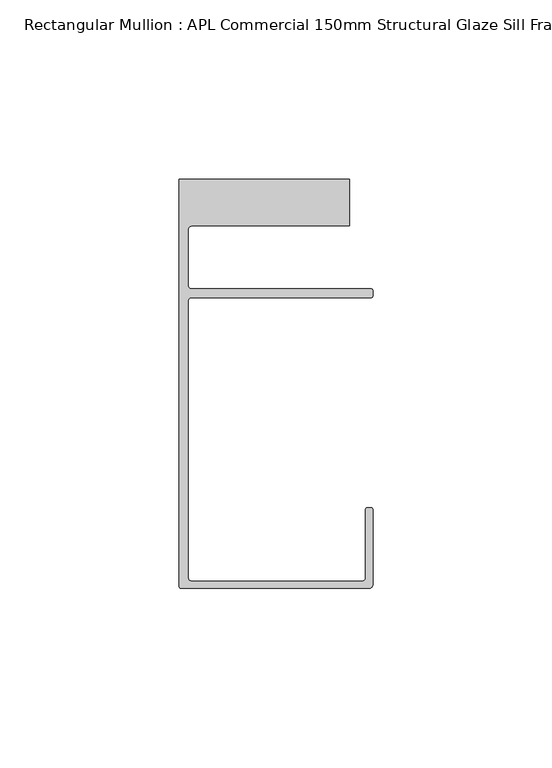
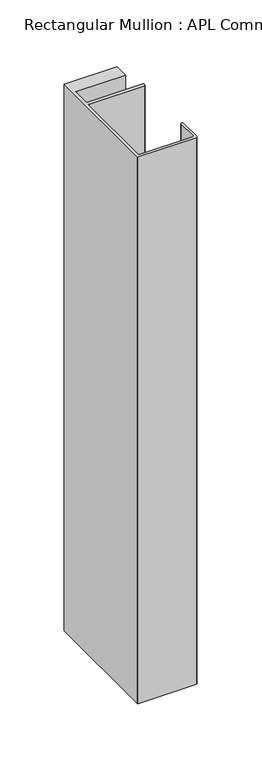
"""IFC4 building model written with IfcOpenShell, lengths in millimetres: member geometry, Rectangular Mullion : APL Commercial 150mm Structural Glaze Sill Frame (Back)."""

from ifc_helpers import new_model, si_unit, frame, origin, place, context, project, spatial, polyline, circle_curve, source, transform, mapped, element, save
from ifc_brep_helpers import plane_surface, cylinder_surface, revolved_surface, advanced_brep


def rectangular_mullion_apl_commercial_150mm_structural_glaze_b06015f9(model_context):
    return source(origin(), model_context, "Body", "AdvancedBrep", [
        advanced_brep(
        [(-53.5000083, -129.0001071, 0.0), (-1.0000079, -129.0001071, 0.0), (-7.9e-06, -128.0001071, 0.0), (0.0, -107.0001071, 0.0), (-0.5, -106.5001071, 0.0), (-1.4999822, -106.5001071, 0.0), (-1.9999822, -107.0001071, 0.0), (-1.9999982, -126.0001071, 0.0), (-2.9999982, -127.0001071, 0.0), (-50.5000083, -127.00011, 0.0), (-51.5000083, -126.00011, 0.0), (-51.5000225, -48.9999541, 0.0), (-50.482081, -48.000115, 0.0), (-0.5000012, -48.000115, 0.0), (-5.4e-06, -47.5021598, 0.0), (-5.4e-06, -46.0213357, 0.0), (-0.521387, -45.4999541, 0.0), (-50.500032, -45.4999541, 0.0), (-51.500032, -44.4999541, 0.0), (-51.500032, -29.0004332, 0.0), (-50.500032, -28.0004332, 0.0), (-6.5000083, -28.0004332, 0.0), (-6.5000083, -15.0004332, 0.0), (-54.0000083, -15.0004332, 0.0), (-54.0000083, -128.5001071, 0.0), (-53.5000083, -129.0001071, -518.8791392), (-54.0000083, -128.5001071, -518.8791392), (-54.0000083, -15.0004332, -518.8791392), (-6.5000083, -15.0004332, -518.8791392), (-6.5000083, -28.0004332, -518.8791392), (-50.500032, -28.0004332, -518.8791392), (-51.500032, -29.0004332, -518.8791392), (-51.500032, -44.4999541, -518.8791392), (-50.500032, -45.4999541, -518.8791392), (-0.521387, -45.4999541, -518.8791392), (-5.4e-06, -46.0213357, -518.8791392), (-5.4e-06, -47.5021598, -518.8791392), (-0.5000012, -48.000115, -518.8791392), (-50.482081, -48.000115, -518.8791392), (-51.5000225, -48.9999541, -518.8791392), (-51.5000225, -126.00011, -518.8791392), (-50.5000083, -127.00011, -518.8791392), (-2.9999982, -127.00011, -518.8791392), (-1.9999982, -126.0001071, -518.8791392), (-1.9999982, -107.0001071, -518.8791392), (-1.4999822, -106.5001071, -518.8791392), (-0.5, -106.5001071, -518.8791392), (0.0, -107.0001071, -518.8791392), (0.0, -128.0001071, -518.8791392), (-1.0000079, -129.0001071, -518.8791392)],
        [
            (0, 1),
            (1, 2, circle_curve(frame((-1.0000079, -128.0001071, 0.0), z_axis=(0.0, 0.0, 1.0), x_axis=(0.9999999999996143, -8.78371761103865e-07, 0.0)), 1.0)),
            (2, 3),
            (3, 4, circle_curve(frame((-0.5, -107.0001071, 0.0), z_axis=(0.0, 0.0, 1.0), x_axis=(0.0, 1.0, 0.0)), 0.5)),
            (4, 5),
            (5, 6, circle_curve(frame((-1.4999822, -107.0001071, 0.0), z_axis=(0.0, 0.0, 1.0), x_axis=(-1.0, 1.039279773351609e-08, 0.0)), 0.5)),
            (6, 7),
            (7, 8, circle_curve(frame((-2.9999982, -126.0001071, 0.0), z_axis=(0.0, 0.0, -1.0), x_axis=(0.0, -1.0, 0.0)), 1.0)),
            (8, 9),
            (9, 10, circle_curve(frame((-50.5000083, -126.00011, 0.0), z_axis=(0.0, 0.0, -1.0), x_axis=(-1.0, -3.636202450239078e-12, 0.0)), 1.0)),
            (10, 11),
            (11, 12, circle_curve(frame((-50.5000225, -48.9999541, 0.0), z_axis=(0.0, 0.0, -1.0), x_axis=(3.5344775231070867e-06, 0.9999999999937538, 0.0)), 1.0)),
            (12, 13),
            (13, 14, circle_curve(frame((-0.5000012, -47.500115, 0.0), z_axis=(0.0, 0.0, 1.0), x_axis=(0.9999999999999991, 4.5120271963110614e-08, 0.0)), 0.5)),
            (14, 15),
            (15, 16, circle_curve(frame((-0.521387, -46.0213357, 0.0), z_axis=(0.0, 0.0, 1.0), x_axis=(-1.0, 0.0, 0.0)), 0.5213816)),
            (16, 17),
            (17, 18, circle_curve(frame((-50.500032, -44.4999541, 0.0), z_axis=(0.0, 0.0, -1.0), x_axis=(-0.9999999999998819, -4.863123717036027e-07, 0.0)), 1.0)),
            (18, 19),
            (19, 20, circle_curve(frame((-50.500032, -29.0004332, 0.0), z_axis=(0.0, 0.0, -1.0), x_axis=(0.0, 1.0, 0.0)), 1.0)),
            (20, 21),
            (21, 22),
            (22, 23),
            (23, 24),
            (24, 0, circle_curve(frame((-53.5000083, -128.5001071, 0.0), z_axis=(0.0, 0.0, 1.0), x_axis=(0.0, -1.0, 0.0)), 0.5)),
            (25, 26, circle_curve(frame((-53.5000083, -128.5001071, -518.8791392), z_axis=(0.0, 0.0, -1.0), x_axis=(0.0, -1.0, 0.0)), 0.5)),
            (26, 27),
            (27, 28),
            (28, 29),
            (29, 30),
            (30, 31, circle_curve(frame((-50.500032, -29.0004332, -518.8791392), z_axis=(0.0, 0.0, 1.0), x_axis=(0.0, 1.0, 0.0)), 1.0)),
            (31, 32),
            (32, 33, circle_curve(frame((-50.500032, -44.4999541, -518.8791392), z_axis=(0.0, 0.0, 1.0), x_axis=(-0.9999999999998819, -4.863123717036027e-07, 0.0)), 1.0)),
            (33, 34),
            (34, 35, circle_curve(frame((-0.521387, -46.0213357, -518.8791392), z_axis=(0.0, 0.0, -1.0), x_axis=(-1.0, 0.0, 0.0)), 0.5213816)),
            (35, 36),
            (36, 37, circle_curve(frame((-0.5000012, -47.500115, -518.8791392), z_axis=(0.0, 0.0, -1.0), x_axis=(0.9999999999999991, 4.5120271963110614e-08, 0.0)), 0.5)),
            (37, 38),
            (38, 39, circle_curve(frame((-50.5000225, -48.9999541, -518.8791392), z_axis=(0.0, 0.0, 1.0), x_axis=(3.5344775231070867e-06, 0.9999999999937538, 0.0)), 1.0)),
            (39, 40),
            (40, 41, circle_curve(frame((-50.5000083, -126.00011, -518.8791392), z_axis=(0.0, 0.0, 1.0), x_axis=(-1.0, -3.636202450239078e-12, 0.0)), 1.0)),
            (41, 42),
            (42, 43, circle_curve(frame((-2.9999982, -126.0001071, -518.8791392), z_axis=(0.0, 0.0, 1.0), x_axis=(0.0, -1.0, 0.0)), 1.0)),
            (43, 44),
            (44, 45, circle_curve(frame((-1.4999822, -107.0001071, -518.8791392), z_axis=(0.0, 0.0, -1.0), x_axis=(-1.0, 1.039279773351609e-08, 0.0)), 0.5)),
            (45, 46),
            (46, 47, circle_curve(frame((-0.5, -107.0001071, -518.8791392), z_axis=(0.0, 0.0, -1.0), x_axis=(0.0, 1.0, 0.0)), 0.5)),
            (47, 48),
            (48, 49, circle_curve(frame((-1.0000079, -128.0001071, -518.8791392), z_axis=(0.0, 0.0, -1.0), x_axis=(0.9999999999996143, -8.78371761103865e-07, 0.0)), 1.0)),
            (49, 25),
            (0, 25),
            (49, 1),
            (48, 2),
            (47, 3),
            (46, 4),
            (45, 5),
            (44, 6),
            (43, 7),
            (42, 8),
            (41, 9),
            (40, 10),
            (39, 11),
            (38, 12),
            (37, 13),
            (36, 14),
            (35, 15),
            (34, 16),
            (33, 17),
            (32, 18),
            (31, 19),
            (30, 20),
            (29, 21),
            (28, 22),
            (27, 23),
            (26, 24),
        ],
        [
            plane_surface(frame((0.0, -139.6548314, 0.0), z_axis=(0.0, 0.0, 1.0), x_axis=(-1.0, 0.0, 0.0))),
            plane_surface(frame((0.0, -139.6548314, -518.8791392), z_axis=(0.0, 0.0, -1.0), x_axis=(-1.0, 0.0, 0.0))),
            plane_surface(frame((-53.5000083, -129.0001071, 0.0), z_axis=(0.0, -1.0, 0.0), x_axis=(0.0, 0.0, -1.0))),
            cylinder_surface(frame((-1.0000079, -128.0001071, 0.0), z_axis=(0.0, 0.0, 1.0000000000000002), x_axis=(0.9999999999996143, -8.78371761103865e-07, 0.0)), 1.0),
            plane_surface(frame((0.0, -128.0001071, 0.0), z_axis=(1.0, 0.0, 0.0), x_axis=(0.0, 0.0, -1.0))),
            cylinder_surface(frame((-0.5, -107.0001071, 0.0), z_axis=(0.0, 0.0, 1.0), x_axis=(0.0, 1.0, 0.0)), 0.5),
            plane_surface(frame((-0.5, -106.5001071, 0.0), z_axis=(0.0, 1.0, 0.0), x_axis=(0.0, 0.0, -1.0))),
            cylinder_surface(frame((-1.4999822, -107.0001071, 0.0), z_axis=(0.0, 0.0, 1.0), x_axis=(-1.0, 1.039279773351609e-08, 0.0)), 0.5),
            plane_surface(frame((-1.9999982, -107.0001071, 0.0), z_axis=(-1.0, 0.0, 0.0), x_axis=(0.0, 0.0, -1.0))),
            revolved_surface(polyline([(-2.9999982, -127.0001071, -518.8791392), (-2.9999982, -127.0001071, 0.0)]), (-2.9999982, -126.0001071, 0.0), (0.0, 0.0, -1.0)),
            plane_surface(frame((-2.9999982, -127.00011, 0.0), z_axis=(0.0, 1.0, 0.0), x_axis=(0.0, 0.0, -1.0))),
            revolved_surface(polyline([(-51.5000083, -126.00011000000364, -518.8791392), (-51.5000083, -126.00011000000364, 0.0)]), (-50.5000083, -126.00011, 0.0), (0.0, 0.0, -1.0)),
            plane_surface(frame((-51.5000225, -126.00011, 0.0), z_axis=(1.0, 0.0, 0.0), x_axis=(0.0, 0.0, -1.0))),
            revolved_surface(polyline([(-50.50001896552248, -47.99995410000624, -518.8791392), (-50.50001896552248, -47.99995410000624, 0.0)]), (-50.5000225, -48.9999541, 0.0), (0.0, 0.0, -1.0)),
            plane_surface(frame((-50.482081, -48.000115, 0.0), z_axis=(0.0, -1.0, 0.0), x_axis=(0.0, 0.0, -1.0))),
            cylinder_surface(frame((-0.5000012, -47.500115, 0.0), z_axis=(0.0, 0.0, 1.0000000000000002), x_axis=(0.9999999999999991, 4.5120271963110614e-08, 0.0)), 0.5),
            plane_surface(frame((-5.4e-06, -47.5021598, 0.0), z_axis=(1.0, 0.0, 0.0), x_axis=(0.0, 0.0, -1.0))),
            cylinder_surface(frame((-0.521387, -46.0213357, 0.0), z_axis=(0.0, 0.0, 1.0), x_axis=(-1.0, 0.0, 0.0)), 0.5213816),
            plane_surface(frame((-0.521387, -45.4999541, 0.0), z_axis=(0.0, 1.0, 0.0), x_axis=(0.0, 0.0, -1.0))),
            revolved_surface(polyline([(-51.50003199999988, -44.49995458631237, -518.8791392000003), (-51.50003199999988, -44.49995458631237, 0.0)]), (-50.500032, -44.4999541, 0.0), (0.0, 0.0, -1.0000000000000002)),
            plane_surface(frame((-51.500032, -44.4999541, 0.0), z_axis=(1.0, 0.0, 0.0), x_axis=(0.0, 0.0, -1.0))),
            revolved_surface(polyline([(-50.500032, -28.0004332, -518.8791392), (-50.500032, -28.0004332, 0.0)]), (-50.500032, -29.0004332, 0.0), (0.0, 0.0, -1.0)),
            plane_surface(frame((-50.500032, -28.0004332, 0.0), z_axis=(0.0, -1.0, 0.0), x_axis=(0.0, 0.0, -1.0))),
            plane_surface(frame((-6.5000083, -28.0004332, 0.0), z_axis=(1.0, 0.0, 0.0), x_axis=(0.0, 0.0, -1.0))),
            plane_surface(frame((-6.5000083, -15.0004332, 0.0), z_axis=(0.0, 1.0, 0.0), x_axis=(0.0, 0.0, -1.0))),
            plane_surface(frame((-54.0000083, -15.0004332, 0.0), z_axis=(-1.0, 0.0, 0.0), x_axis=(0.0, 0.0, -1.0))),
            cylinder_surface(frame((-53.5000083, -128.5001071, 0.0), z_axis=(0.0, 0.0, 1.0), x_axis=(0.0, -1.0, 0.0)), 0.5),
        ],
        [
            (0, [[1, 2, 3, 4, 5, 6, 7, 8, 9, 10, 11, 12, 13, 14, 15, 16, 17, 18, 19, 20, 21, 22, 23, 24, 25]]),
            (1, [[26, 27, 28, 29, 30, 31, 32, 33, 34, 35, 36, 37, 38, 39, 40, 41, 42, 43, 44, 45, 46, 47, 48, 49, 50]]),
            (2, [[-1, 51, -50, 52]]),
            (3, [[-2, -52, -49, 53]]),
            (4, [[-3, -53, -48, 54]]),
            (5, [[-4, -54, -47, 55]]),
            (6, [[-5, -55, -46, 56]]),
            (7, [[-6, -56, -45, 57]]),
            (8, [[-7, -57, -44, 58]]),
            (9, [[-8, -58, -43, 59]]),
            (10, [[-9, -59, -42, 60]]),
            (11, [[-10, -60, -41, 61]]),
            (12, [[-11, -61, -40, 62]]),
            (13, [[-12, -62, -39, 63]]),
            (14, [[-13, -63, -38, 64]]),
            (15, [[-14, -64, -37, 65]]),
            (16, [[-15, -65, -36, 66]]),
            (17, [[-16, -66, -35, 67]]),
            (18, [[-17, -67, -34, 68]]),
            (19, [[-18, -68, -33, 69]]),
            (20, [[-19, -69, -32, 70]]),
            (21, [[-20, -70, -31, 71]]),
            (22, [[-21, -71, -30, 72]]),
            (23, [[-22, -72, -29, 73]]),
            (24, [[-23, -73, -28, 74]]),
            (25, [[-24, -74, -27, 75]]),
            (26, [[-25, -75, -26, -51]]),
        ],
    ),
    ])


if __name__ == "__main__":
    model = new_model("IFC4")
    model_context = context("Model", 3, world=origin())
    ifc_project = project(units=[si_unit("LENGTHUNIT", "METRE", prefix="MILLI")], contexts=[model_context])
    site = spatial("IfcSite", under=ifc_project)
    building = spatial("IfcBuilding", under=site)
    placement = place(None, origin())
    rectangular_mullion_apl_commercial_150mm_structural_glaze_shape = rectangular_mullion_apl_commercial_150mm_structural_glaze_b06015f9(model_context)
    element("IfcMember", 1, ObjectType="Rectangular Mullion : APL Commercial 150mm Structural Glaze Sill Frame (Back)", at=placement, inside=building, context=model_context, shape_type="MappedRepresentation", body=[
        mapped(rectangular_mullion_apl_commercial_150mm_structural_glaze_shape, transform((0.0, 0.0, 0.0), x_axis=(1.0, 0.0, 0.0), y_axis=(0.0, 1.0, 0.0), z_axis=(0.0, 0.0, 1.0))),
    ])
    save(model, "model.ifc")
